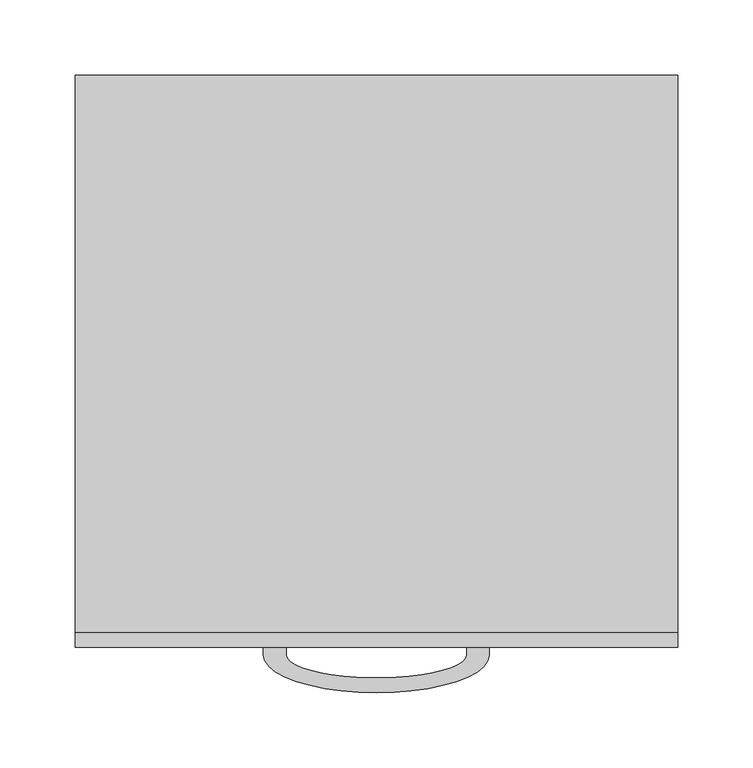
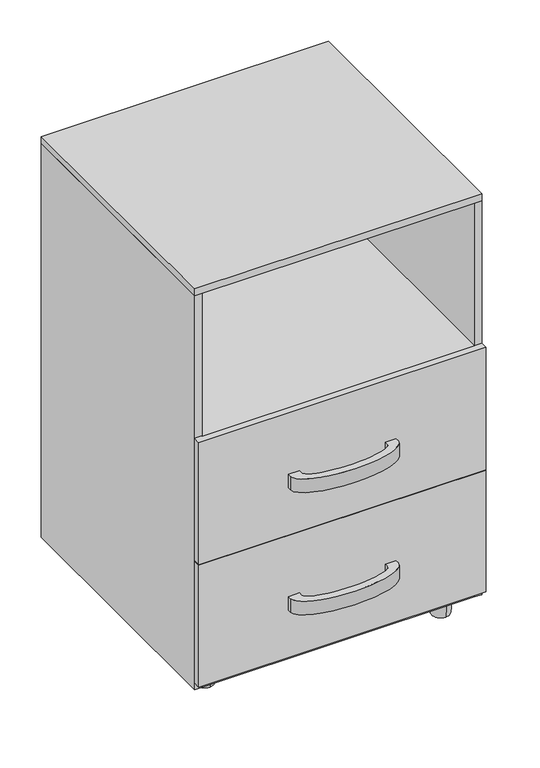
"""IFC4 building model written with IfcOpenShell, lengths in millimetres: furniture geometry."""

from ifc_helpers import new_model, si_unit, point, frame, origin, place, context, project, spatial, polyline, circle_curve, ellipse_curve, trimmed, outline, extrude, source, transform, mapped, element, save
from ifc_brep_helpers import plane_surface, revolved_surface, extruded_surface, advanced_brep


def furniture_9381b2b7(model_context):
    return source(origin(), model_context, "Body", "SolidModel", [
        advanced_brep(
        [(60.0, -190.0, 109.4702416), (75.0, -190.0, 109.4702416), (75.0, -195.0, 109.4702416), (-75.0, -195.0, 109.4702416), (-75.0, -190.0, 109.4702416), (-60.0, -190.0, 109.4702416), (-60.0, -195.0, 109.4702416), (60.0, -195.0, 109.4702416), (60.0, -190.0, 129.4702416), (60.0, -195.0, 129.4702416), (-60.0, -195.0, 129.4702416), (-60.0, -190.0, 129.4702416), (-75.0, -190.0, 129.4702416), (-75.0, -195.0, 129.4702416), (75.0, -195.0, 129.4702416), (75.0, -190.0, 129.4702416)],
        [
            (0, 1),
            (1, 2),
            (2, 3, ellipse_curve(frame((0.0, -195.0, 109.4702416), z_axis=(0.0, 0.0, -1.0), x_axis=(1.0, 0.0, 0.0)), 75.0, 25.0)),
            (3, 4),
            (4, 5),
            (5, 6),
            (6, 7, ellipse_curve(frame((0.0, -195.0, 109.4702416), z_axis=(0.0, 0.0, 1.0), x_axis=(1.0, 0.0, 0.0)), 60.0, 15.0)),
            (7, 0),
            (8, 9),
            (9, 10, ellipse_curve(frame((0.0, -195.0, 129.4702416), z_axis=(0.0, 0.0, -1.0), x_axis=(1.0, 0.0, 0.0)), 60.0, 15.0)),
            (10, 11),
            (11, 12),
            (12, 13),
            (13, 14, ellipse_curve(frame((0.0, -195.0, 129.4702416), z_axis=(0.0, 0.0, 1.0), x_axis=(1.0, 0.0, 0.0)), 75.0, 25.0)),
            (14, 15),
            (15, 8),
            (7, 9),
            (8, 0),
            (6, 10),
            (5, 11),
            (4, 12),
            (3, 13),
            (2, 14),
            (1, 15),
        ],
        [
            plane_surface(frame((60.0, -202.1119554, 109.4702416), z_axis=(0.0, 0.0, -1.0), x_axis=(0.0, -1.0, 0.0))),
            plane_surface(frame((60.0, -202.1119554, 129.4702416), z_axis=(0.0, 0.0, 1.0), x_axis=(0.0, 1.0, 0.0))),
            plane_surface(frame((60.0, -190.0, 109.4702416), z_axis=(-1.0, 0.0, 0.0), x_axis=(0.0, 0.0, 1.0))),
            extruded_surface(trimmed(ellipse_curve(frame((0.0, -195.0, 129.4702416), z_axis=(0.0, 0.0, -1.0), x_axis=(1.0, 0.0, 0.0)), 60.0, 15.0), [point((60.0, -195.0, 129.4702416))], [point((-60.0, -195.0, 129.4702416))], True, "CARTESIAN"), (0.0, 0.0, 20.0), 20.0),
            plane_surface(frame((-60.0, -195.0, 109.4702416), z_axis=(1.0, 0.0, 0.0), x_axis=(0.0, 0.0, 1.0))),
            plane_surface(frame((-60.0, -190.0, 109.4702416), z_axis=(0.0, 1.0, 0.0), x_axis=(0.0, 0.0, 1.0))),
            plane_surface(frame((-75.0, -190.0, 109.4702416), z_axis=(-1.0, 0.0, 0.0), x_axis=(0.0, 0.0, 1.0))),
            extruded_surface(trimmed(ellipse_curve(frame((0.0, -195.0, 129.4702416), z_axis=(0.0, 0.0, 1.0), x_axis=(1.0, 0.0, 0.0)), 75.0, 25.0), [point((-75.0, -195.0, 129.4702416))], [point((75.0, -195.0, 129.4702416))], True, "CARTESIAN"), (0.0, 0.0, 20.0), 20.0),
            plane_surface(frame((75.0, -195.0, 109.4702416), z_axis=(1.0, 0.0, 0.0), x_axis=(0.0, 0.0, 1.0))),
            plane_surface(frame((75.0, -190.0, 109.4702416), z_axis=(0.0, 1.0, 0.0), x_axis=(0.0, 0.0, 1.0))),
        ],
        [
            (0, [[1, 2, 3, 4, 5, 6, 7, 8]]),
            (1, [[9, 10, 11, 12, 13, 14, 15, 16]]),
            (2, [[17, -9, 18, -8]]),
            (3, [[19, -10, -17, -7]]),
            (4, [[20, -11, -19, -6]]),
            (5, [[21, -12, -20, -5]]),
            (6, [[22, -13, -21, -4]]),
            (7, [[23, -14, -22, -3]]),
            (8, [[24, -15, -23, -2]]),
            (9, [[-18, -16, -24, -1]]),
        ],
    ),
        advanced_brep(
        [(60.0, -190.0, 289.4702416), (75.0, -190.0, 289.4702416), (75.0, -195.0, 289.4702416), (-75.0, -195.0, 289.4702416), (-75.0, -190.0, 289.4702416), (-60.0, -190.0, 289.4702416), (-60.0, -195.0, 289.4702416), (60.0, -195.0, 289.4702416), (60.0, -190.0, 309.4702416), (60.0, -195.0, 309.4702416), (-60.0, -195.0, 309.4702416), (-60.0, -190.0, 309.4702416), (-75.0, -190.0, 309.4702416), (-75.0, -195.0, 309.4702416), (75.0, -195.0, 309.4702416), (75.0, -190.0, 309.4702416)],
        [
            (0, 1),
            (1, 2),
            (2, 3, ellipse_curve(frame((0.0, -195.0, 289.4702416), z_axis=(0.0, 0.0, -1.0), x_axis=(1.0, 0.0, 0.0)), 75.0, 25.0)),
            (3, 4),
            (4, 5),
            (5, 6),
            (6, 7, ellipse_curve(frame((0.0, -195.0, 289.4702416), z_axis=(0.0, 0.0, 1.0), x_axis=(1.0, 0.0, 0.0)), 60.0, 15.0)),
            (7, 0),
            (8, 9),
            (9, 10, ellipse_curve(frame((0.0, -195.0, 309.4702416), z_axis=(0.0, 0.0, -1.0), x_axis=(1.0, 0.0, 0.0)), 60.0, 15.0)),
            (10, 11),
            (11, 12),
            (12, 13),
            (13, 14, ellipse_curve(frame((0.0, -195.0, 309.4702416), z_axis=(0.0, 0.0, 1.0), x_axis=(1.0, 0.0, 0.0)), 75.0, 25.0)),
            (14, 15),
            (15, 8),
            (7, 9),
            (8, 0),
            (6, 10),
            (5, 11),
            (4, 12),
            (3, 13),
            (2, 14),
            (1, 15),
        ],
        [
            plane_surface(frame((60.0, -202.1119554, 289.4702416), z_axis=(0.0, 0.0, -1.0), x_axis=(0.0, -1.0, 0.0))),
            plane_surface(frame((60.0, -202.1119554, 309.4702416), z_axis=(0.0, 0.0, 1.0), x_axis=(0.0, 1.0, 0.0))),
            plane_surface(frame((60.0, -190.0, 289.4702416), z_axis=(-1.0, 0.0, 0.0), x_axis=(0.0, 0.0, 1.0))),
            extruded_surface(trimmed(ellipse_curve(frame((0.0, -195.0, 309.4702416), z_axis=(0.0, 0.0, -1.0), x_axis=(1.0, 0.0, 0.0)), 60.0, 15.0), [point((60.0, -195.0, 309.4702416))], [point((-60.0, -195.0, 309.4702416))], True, "CARTESIAN"), (0.0, 0.0, 20.0), 20.0),
            plane_surface(frame((-60.0, -195.0, 289.4702416), z_axis=(1.0, 0.0, 0.0), x_axis=(0.0, 0.0, 1.0))),
            plane_surface(frame((-60.0, -190.0, 289.4702416), z_axis=(0.0, 1.0, 0.0), x_axis=(0.0, 0.0, 1.0))),
            plane_surface(frame((-75.0, -190.0, 289.4702416), z_axis=(-1.0, 0.0, 0.0), x_axis=(0.0, 0.0, 1.0))),
            extruded_surface(trimmed(ellipse_curve(frame((0.0, -195.0, 309.4702416), z_axis=(0.0, 0.0, 1.0), x_axis=(1.0, 0.0, 0.0)), 75.0, 25.0), [point((-75.0, -195.0, 309.4702416))], [point((75.0, -195.0, 309.4702416))], True, "CARTESIAN"), (0.0, 0.0, 20.0), 20.0),
            plane_surface(frame((75.0, -195.0, 289.4702416), z_axis=(1.0, 0.0, 0.0), x_axis=(0.0, 0.0, 1.0))),
            plane_surface(frame((75.0, -190.0, 289.4702416), z_axis=(0.0, 1.0, 0.0), x_axis=(0.0, 0.0, 1.0))),
        ],
        [
            (0, [[1, 2, 3, 4, 5, 6, 7, 8]]),
            (1, [[9, 10, 11, 12, 13, 14, 15, 16]]),
            (2, [[17, -9, 18, -8]]),
            (3, [[19, -10, -17, -7]]),
            (4, [[20, -11, -19, -6]]),
            (5, [[21, -12, -20, -5]]),
            (6, [[22, -13, -21, -4]]),
            (7, [[23, -14, -22, -3]]),
            (8, [[24, -15, -23, -2]]),
            (9, [[-18, -16, -24, -1]]),
        ],
    ),
        advanced_brep(
        [(160.0, 150.0, 0.0), (160.0, 137.6558748, 0.0), (160.0, 162.3441252, 0.0), (160.0, 135.0, 30.0), (160.0, 150.0, 30.0), (160.0, 165.0, 30.0)],
        [
            (0, 1),
            (1, 2, circle_curve(frame((160.0, 150.0, 0.0), z_axis=(0.0, 0.0, -1.0), x_axis=(0.0, 1.0, 0.0)), 12.3441252)),
            (2, 0),
            (2, 1, circle_curve(frame((160.0, 150.0, 0.0), z_axis=(0.0, 0.0, -1.0), x_axis=(0.0, 1.0, 0.0)), 12.3441252)),
            (3, 4),
            (4, 5),
            (5, 3, circle_curve(frame((160.0, 150.0, 30.0), z_axis=(0.0, 0.0, 1.0), x_axis=(0.0, 1.0, 0.0)), 15.0)),
            (3, 5, circle_curve(frame((160.0, 150.0, 30.0), z_axis=(0.0, 0.0, 1.0), x_axis=(0.0, 1.0, 0.0)), 15.0)),
            (1, 3),
            (5, 2),
        ],
        [
            plane_surface(frame((160.0, 150.0, 0.0), z_axis=(0.0, 0.0, -1.0), x_axis=(0.0, 1.0, 0.0))),
            plane_surface(frame((160.0, 150.0, 30.0), z_axis=(0.0, 0.0, 1.0), x_axis=(0.0, 1.0, 0.0))),
            revolved_surface(polyline([(160.0, 165.0, 30.0), (160.0, 162.3441252, 0.0)]), (160.0, 150.0, -2579.0581012), (0.0, 0.0, -1.0)),
        ],
        [
            (0, [[1, 2, 3]]),
            (0, [[-3, 4, -1]]),
            (1, [[5, 6, 7]]),
            (1, [[-6, -5, 8]]),
            (2, [[9, -7, 10, -2]]),
            (2, [[-10, -8, -9, -4]]),
        ],
    ),
        advanced_brep(
        [(-160.0, 140.0, 0.0), (-160.0, 127.6558748, 0.0), (-160.0, 152.3441252, 0.0), (-160.0, 125.0, 30.0), (-160.0, 140.0, 30.0), (-160.0, 155.0, 30.0)],
        [
            (0, 1),
            (1, 2, circle_curve(frame((-160.0, 140.0, 0.0), z_axis=(0.0, 0.0, -1.0), x_axis=(0.0, 1.0, 0.0)), 12.3441252)),
            (2, 0),
            (2, 1, circle_curve(frame((-160.0, 140.0, 0.0), z_axis=(0.0, 0.0, -1.0), x_axis=(0.0, 1.0, 0.0)), 12.3441252)),
            (3, 4),
            (4, 5),
            (5, 3, circle_curve(frame((-160.0, 140.0, 30.0), z_axis=(0.0, 0.0, 1.0), x_axis=(0.0, 1.0, 0.0)), 15.0)),
            (3, 5, circle_curve(frame((-160.0, 140.0, 30.0), z_axis=(0.0, 0.0, 1.0), x_axis=(0.0, 1.0, 0.0)), 15.0)),
            (1, 3),
            (5, 2),
        ],
        [
            plane_surface(frame((-160.0, 140.0, 0.0), z_axis=(0.0, 0.0, -1.0), x_axis=(0.0, 1.0, 0.0))),
            plane_surface(frame((-160.0, 140.0, 30.0), z_axis=(0.0, 0.0, 1.0), x_axis=(0.0, 1.0, 0.0))),
            revolved_surface(polyline([(-160.0, 155.0, 30.0), (-160.0, 152.3441252, 0.0)]), (-160.0, 140.0, -2579.0581012), (0.0, 0.0, -1.0)),
        ],
        [
            (0, [[1, 2, 3]]),
            (0, [[-3, 4, -1]]),
            (1, [[5, 6, 7]]),
            (1, [[-6, -5, 8]]),
            (2, [[9, -7, 10, -2]]),
            (2, [[-10, -8, -9, -4]]),
        ],
    ),
        advanced_brep(
        [(-160.0, -135.0, 0.0), (-160.0, -147.3441252, 0.0), (-160.0, -122.6558748, 0.0), (-160.0, -150.0, 30.0), (-160.0, -135.0, 30.0), (-160.0, -120.0, 30.0)],
        [
            (0, 1),
            (1, 2, circle_curve(frame((-160.0, -135.0, 0.0), z_axis=(0.0, 0.0, -1.0), x_axis=(0.0, 1.0, 0.0)), 12.3441252)),
            (2, 0),
            (2, 1, circle_curve(frame((-160.0, -135.0, 0.0), z_axis=(0.0, 0.0, -1.0), x_axis=(0.0, 1.0, 0.0)), 12.3441252)),
            (3, 4),
            (4, 5),
            (5, 3, circle_curve(frame((-160.0, -135.0, 30.0), z_axis=(0.0, 0.0, 1.0), x_axis=(0.0, 1.0, 0.0)), 15.0)),
            (3, 5, circle_curve(frame((-160.0, -135.0, 30.0), z_axis=(0.0, 0.0, 1.0), x_axis=(0.0, 1.0, 0.0)), 15.0)),
            (1, 3),
            (5, 2),
        ],
        [
            plane_surface(frame((-160.0, -135.0, 0.0), z_axis=(0.0, 0.0, -1.0), x_axis=(0.0, 1.0, 0.0))),
            plane_surface(frame((-160.0, -135.0, 30.0), z_axis=(0.0, 0.0, 1.0), x_axis=(0.0, 1.0, 0.0))),
            revolved_surface(polyline([(-160.0, -120.0, 30.0), (-160.0, -122.6558748, 0.0)]), (-160.0, -135.0, -2579.0581012), (0.0, 0.0, -1.0)),
        ],
        [
            (0, [[1, 2, 3]]),
            (0, [[-3, 4, -1]]),
            (1, [[5, 6, 7]]),
            (1, [[-6, -5, 8]]),
            (2, [[9, -7, 10, -2]]),
            (2, [[-10, -8, -9, -4]]),
        ],
    ),
        advanced_brep(
        [(160.0, -150.0, 0.0), (160.0, -162.3441252, 0.0), (160.0, -137.6558748, 0.0), (160.0, -165.0, 30.0), (160.0, -150.0, 30.0), (160.0, -135.0, 30.0)],
        [
            (0, 1),
            (1, 2, circle_curve(frame((160.0, -150.0, 0.0), z_axis=(0.0, 0.0, -1.0), x_axis=(0.0, 1.0, 0.0)), 12.3441252)),
            (2, 0),
            (2, 1, circle_curve(frame((160.0, -150.0, 0.0), z_axis=(0.0, 0.0, -1.0), x_axis=(0.0, 1.0, 0.0)), 12.3441252)),
            (3, 4),
            (4, 5),
            (5, 3, circle_curve(frame((160.0, -150.0, 30.0), z_axis=(0.0, 0.0, 1.0), x_axis=(0.0, 1.0, 0.0)), 15.0)),
            (3, 5, circle_curve(frame((160.0, -150.0, 30.0), z_axis=(0.0, 0.0, 1.0), x_axis=(0.0, 1.0, 0.0)), 15.0)),
            (1, 3),
            (5, 2),
        ],
        [
            plane_surface(frame((160.0, -150.0, 0.0), z_axis=(0.0, 0.0, -1.0), x_axis=(0.0, 1.0, 0.0))),
            plane_surface(frame((160.0, -150.0, 30.0), z_axis=(0.0, 0.0, 1.0), x_axis=(0.0, 1.0, 0.0))),
            revolved_surface(polyline([(160.0, -135.0, 30.0), (160.0, -137.6558748, 0.0)]), (160.0, -150.0, -2579.0581012), (0.0, 0.0, -1.0)),
        ],
        [
            (0, [[1, 2, 3]]),
            (0, [[-3, 4, -1]]),
            (1, [[5, 6, 7]]),
            (1, [[-6, -5, 8]]),
            (2, [[9, -7, 10, -2]]),
            (2, [[-10, -8, -9, -4]]),
        ],
    ),
        extrude(outline(polyline([(190.0, -180.0), (-190.0, -180.0), (-190.0, 190.0), (190.0, 190.0), (190.0, -180.0)])), frame((0.0, 0.0, 390.0), z_axis=(0.0, 0.0, 1.0), x_axis=(1.0, 0.0, 0.0)), (0.0, 0.0, 1.0), 10.0),
        extrude(outline(polyline([(190.0, -180.0), (-190.0, -180.0), (-190.0, 190.0), (190.0, 190.0), (190.0, -180.0)])), frame((0.0, 0.0, 30.0), z_axis=(0.0, 0.0, 1.0), x_axis=(1.0, 0.0, 0.0)), (0.0, 0.0, 1.0), 10.0),
        extrude(outline(polyline([(200.0, -180.0), (200.0, -190.0), (-200.0, -190.0), (-200.0, -180.0), (200.0, -180.0)])), frame((0.0, 0.0, 40.0), z_axis=(0.0, 0.0, 1.0), x_axis=(1.0, 0.0, 0.0)), (0.0, 0.0, 1.0), 179.4702416),
        extrude(outline(polyline([(200.0, -180.0), (200.0, -190.0), (-200.0, -190.0), (-200.0, -180.0), (200.0, -180.0)])), frame((0.0, 0.0, 220.0), z_axis=(0.0, 0.0, 1.0), x_axis=(1.0, 0.0, 0.0)), (0.0, 0.0, 1.0), 180.0),
        extrude(outline(polyline([(200.0, -180.0), (-200.0, -180.0), (-200.0, 190.0), (200.0, 190.0), (200.0, -180.0)])), frame((0.0, 0.0, 610.0), z_axis=(0.0, 0.0, 1.0), x_axis=(1.0, 0.0, 0.0)), (0.0, 0.0, 1.0), 10.0),
        extrude(outline(polyline([(190.0, 190.0), (190.0, 180.0), (-190.0, 180.0), (-190.0, 190.0), (190.0, 190.0)])), frame((0.0, 0.0, 30.0), z_axis=(0.0, 0.0, 1.0), x_axis=(1.0, 0.0, 0.0)), (0.0, 0.0, 1.0), 580.0),
        extrude(outline(polyline([(-190.0, -180.0), (-200.0, -180.0), (-200.0, 190.0), (-190.0, 190.0), (-190.0, -180.0)])), frame((0.0, 0.0, 30.0), z_axis=(0.0, 0.0, 1.0), x_axis=(1.0, 0.0, 0.0)), (0.0, 0.0, 1.0), 580.0),
        extrude(outline(polyline([(190.0, -180.0), (190.0, 190.0), (200.0, 190.0), (200.0, -180.0), (190.0, -180.0)])), frame((0.0, 0.0, 30.0), z_axis=(0.0, 0.0, 1.0), x_axis=(1.0, 0.0, 0.0)), (0.0, 0.0, 1.0), 580.0),
    ])


if __name__ == "__main__":
    model = new_model("IFC4")
    model_context = context("Model", 3, world=origin())
    ifc_project = project(units=[si_unit("LENGTHUNIT", "METRE", prefix="MILLI")], contexts=[model_context])
    site = spatial("IfcSite", under=ifc_project)
    building = spatial("IfcBuilding", under=site)
    placement = place(None, origin())
    furniture_shape = furniture_9381b2b7(model_context)
    element("IfcFurniture", 1, at=placement, inside=building, context=model_context, shape_type="MappedRepresentation", body=[
        mapped(furniture_shape, transform((0.0, 0.0, 0.0), x_axis=(1.0, 0.0, 0.0), y_axis=(0.0, 1.0, 0.0), z_axis=(0.0, 0.0, 1.0))),
    ])
    save(model, "model.ifc")
